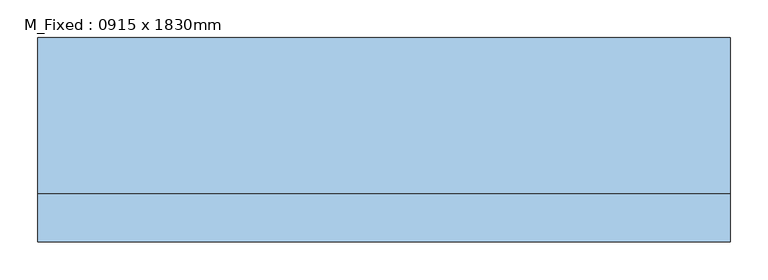
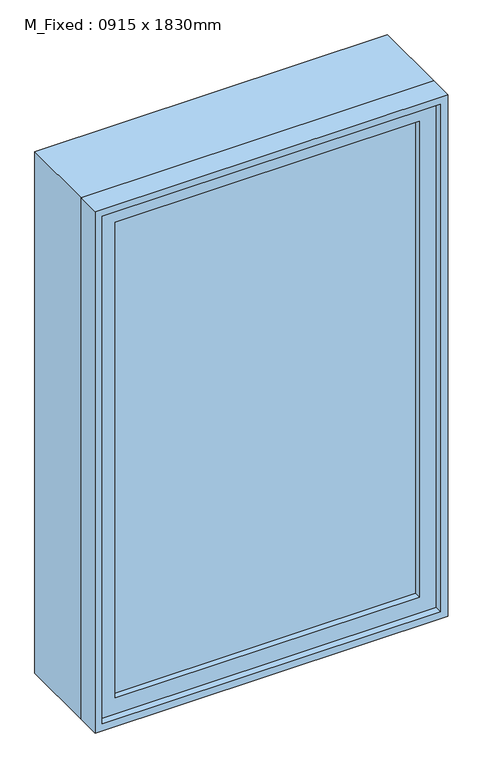
"""IFC4 building model written with IfcOpenShell, lengths in millimetres: window geometry, M_Fixed : 0915 x 1830mm."""

from ifc_helpers import new_model, si_unit, frame, origin, place, context, project, spatial, polyline, outline, extrude, source, transform, mapped, element, save


def m_fixed_0915_x_1830mm_673e3647(model_context):
    return source(origin(), model_context, "Body", "SweptSolid", [
        extrude(outline(polyline([(-394.5, -113.0), (-394.5, -101.0), (394.5, -101.0), (394.5, -113.0), (-394.5, -113.0)])), frame((0.0, 0.0, 368.0), z_axis=(0.0, 0.0, 1.0), x_axis=(1.0, 0.0, 0.0)), (0.0, 0.0, 1.0), 1303.0),
        extrude(outline(polyline([(1715.0, -438.5), (324.0, -438.5), (324.0, 438.5), (1715.0, 438.5), (1715.0, -438.5)]), holes=[polyline([(1671.0, -394.5), (1671.0, 394.5), (368.0, 394.5), (368.0, -394.5), (1671.0, -394.5)])]), frame((0.0, -129.0, 0.0), z_axis=(0.0, 1.0, 0.0), x_axis=(0.0, 0.0, 1.0)), (0.0, 0.0, 1.0), 44.0),
        extrude(outline(polyline([(1734.0, -457.5), (305.0, -457.5), (305.0, 457.5), (1734.0, 457.5), (1734.0, -457.5)]), holes=[polyline([(1715.0, -438.5), (1715.0, 438.5), (324.0, 438.5), (324.0, -438.5), (1715.0, -438.5)])]), frame((0.0, -148.0, 0.0), z_axis=(0.0, 1.0, 0.0), x_axis=(0.0, 0.0, 1.0)), (0.0, 0.0, 1.0), 63.0),
        extrude(outline(polyline([(1734.0, -457.5), (305.0, -457.5), (305.0, 457.5), (1734.0, 457.5), (1734.0, -457.5)]), holes=[polyline([(1702.0, -425.5), (1702.0, 425.5), (337.0, 425.5), (337.0, -425.5), (1702.0, -425.5)])]), frame((0.0, -85.0, 0.0), z_axis=(0.0, 1.0, 0.0), x_axis=(0.0, 0.0, 1.0)), (0.0, 0.0, 1.0), 207.0),
    ])


if __name__ == "__main__":
    model = new_model("IFC4")
    model_context = context("Model", 3, world=origin())
    ifc_project = project(units=[si_unit("LENGTHUNIT", "METRE", prefix="MILLI")], contexts=[model_context])
    site = spatial("IfcSite", under=ifc_project)
    building = spatial("IfcBuilding", under=site)
    placement = place(None, origin())
    m_fixed_0915_x_1830mm_shape = m_fixed_0915_x_1830mm_673e3647(model_context)
    element("IfcWindow", 1, ObjectType="M_Fixed : 0915 x 1830mm", at=placement, inside=building, context=model_context, shape_type="MappedRepresentation", body=[
        mapped(m_fixed_0915_x_1830mm_shape, transform((0.0, 0.0, 0.0), x_axis=(1.0, 0.0, 0.0), y_axis=(0.0, 1.0, 0.0), z_axis=(0.0, 0.0, 1.0))),
    ])
    save(model, "model.ifc")
